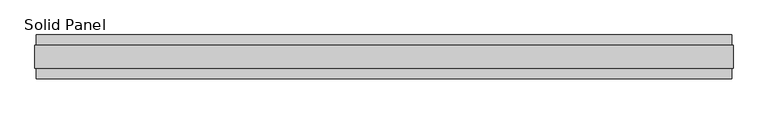
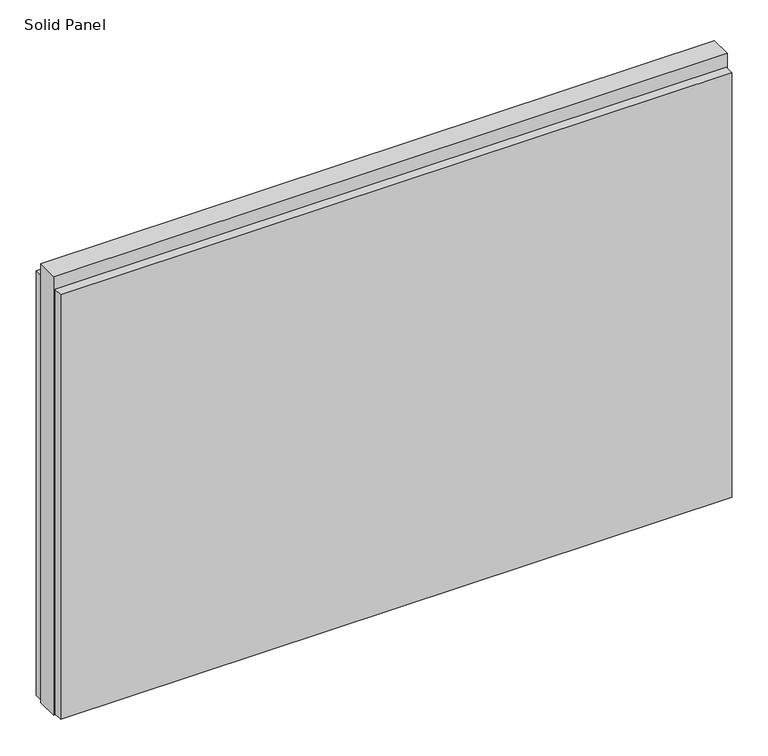
"""IFC4 building model written with IfcOpenShell, lengths in millimetres: plate geometry, Solid Panel."""

import ifcopenshell
import ifcopenshell.guid

model = None  # the IFC model being written
_history = None  # IfcOwnerHistory: only IFC2X3 demands one
_inside = {}  # id of a spatial element -> (the spatial element, [elements in it])
_under = {}  # id of a project, library or spatial element -> (it, [spatial elements below it])
_declared = {}  # id of a project -> (the project, [libraries it declares])
_typed = {}  # id of a type object -> (the type object, [elements of that type])
_made_of = {}  # id of a material, layer set ... -> (it, [elements and type objects made of it])


def new_model(schema):
    """Start an empty IFC model of exactly this schema.

    Asked for "IFC4X3", IfcOpenShell would pick the latest addendum, in which some entities
    have other attributes; the version numbers below select the first issue.
    IFC2X3 requires an IfcOwnerHistory on every rooted entity: one is made here for all.
    """
    global model, _history
    if schema == "IFC4X3":
        model = ifcopenshell.file(schema_version=(4, 3, 0, 0))
    else:
        model = ifcopenshell.file(schema=schema)
    _inside.clear()
    _under.clear()
    _declared.clear()
    _typed.clear()
    _made_of.clear()
    _history = None
    if model.schema == "IFC2X3":
        org = make("IfcOrganization", Name="unknown")
        user = make(
            "IfcPersonAndOrganization",
            ThePerson=make("IfcPerson", FamilyName="unknown"),
            TheOrganization=org,
        )
        app = make(
            "IfcApplication",
            ApplicationDeveloper=org,
            Version="unknown",
            ApplicationFullName="unknown",
            ApplicationIdentifier="unknown",
        )
        _history = make(
            "IfcOwnerHistory",
            OwningUser=user,
            OwningApplication=app,
            ChangeAction="ADDED",
            CreationDate=0,
        )
    return model


def make(cls, **values):
    """One entity of the class cls with the attributes given. An attribute that is None is left unset."""
    return model.create_entity(
        cls, **{name: value for name, value in values.items() if value is not None}
    )


def rooted(cls, **values):
    """An entity with a GlobalId (a new one), such as an element, a storey or a relation."""
    return make(cls, GlobalId=ifcopenshell.guid.new(), OwnerHistory=_history, **values)


def si_unit(unit_type, name, prefix=None):
    """IfcSIUnit, for example si_unit("LENGTHUNIT", "METRE", prefix="MILLI")."""
    return make("IfcSIUnit", UnitType=unit_type, Prefix=prefix, Name=name)


def assignment(units):
    """IfcUnitAssignment: the units of a project."""
    return None if units is None else make("IfcUnitAssignment", Units=units)


def point(xyz):
    """IfcCartesianPoint."""
    return None if xyz is None else make("IfcCartesianPoint", Coordinates=xyz)


def direction(xyz):
    """IfcDirection."""
    return None if xyz is None else make("IfcDirection", DirectionRatios=xyz)


def frame(location, z_axis=None, x_axis=None):
    """IfcAxis2Placement3D, a coordinate frame: its origin and axes. An axis left out is left unset."""
    return make(
        "IfcAxis2Placement3D",
        Location=point(location),
        Axis=direction(z_axis),
        RefDirection=direction(x_axis),
    )


def origin():
    """The frame at (0, 0, 0) with its axes left unset."""
    return frame((0.0, 0.0, 0.0))


def origin_with_axes():
    """The frame at (0, 0, 0) with the z axis (0, 0, 1) and the x axis (1, 0, 0) written out."""
    return frame((0.0, 0.0, 0.0), z_axis=(0.0, 0.0, 1.0), x_axis=(1.0, 0.0, 0.0))


def place(relative_to, where):
    """IfcLocalPlacement: puts the frame where relative to a parent placement (None: the world)."""
    return make(
        "IfcLocalPlacement", PlacementRelTo=relative_to, RelativePlacement=where
    )


def context(
    kind, dimensions, precision=None, world=None, true_north=None, identifier=None
):
    """IfcGeometricRepresentationContext, for example the 3D "Model" context."""
    return make(
        "IfcGeometricRepresentationContext",
        ContextIdentifier=identifier,
        ContextType=kind,
        CoordinateSpaceDimension=dimensions,
        Precision=precision,
        WorldCoordinateSystem=world,
        TrueNorth=true_north,
    )


def project(units=None, contexts=None):
    """IfcProject with its units and contexts."""
    return rooted(
        "IfcProject",
        Name="project",
        RepresentationContexts=contexts,
        UnitsInContext=assignment(units),
    )


def spatial(cls, under=None, at=None, **own):
    """A site, building, storey or space (cls), placed at a placement, below another one or the project."""
    s = rooted(cls, ObjectPlacement=at, **own)
    if under is not None:
        _under.setdefault(under.id(), (under, []))[1].append(s)
    return s


def polyline(points):
    """IfcPolyline through the points."""
    return make("IfcPolyline", Points=[point(p) for p in points])


def outline(outer, holes=None, kind="AREA"):
    """IfcArbitraryClosedProfileDef: a profile drawn as a closed curve; with holes, ...WithVoids."""
    if holes is None:
        return make("IfcArbitraryClosedProfileDef", ProfileType=kind, OuterCurve=outer)
    return make(
        "IfcArbitraryProfileDefWithVoids",
        ProfileType=kind,
        OuterCurve=outer,
        InnerCurves=holes,
    )


def extrude(swept, where, along, depth):
    """IfcExtrudedAreaSolid: the profile swept, set in the frame where, extruded along a direction by depth."""
    return make(
        "IfcExtrudedAreaSolid",
        SweptArea=swept,
        Position=where,
        ExtrudedDirection=direction(along),
        Depth=depth,
    )


def shape(context_of_items, identifier, shape_type, items):
    """IfcShapeRepresentation: the items that make up one representation, for example the "Body"."""
    return make(
        "IfcShapeRepresentation",
        ContextOfItems=context_of_items,
        RepresentationIdentifier=identifier,
        RepresentationType=shape_type,
        Items=items,
    )


def source(mapping_origin, context_of_items, identifier, shape_type, items):
    """IfcRepresentationMap: a shape defined once, which mapped items show again and again."""
    return make(
        "IfcRepresentationMap",
        MappingOrigin=mapping_origin,
        MappedRepresentation=shape(context_of_items, identifier, shape_type, items),
    )


def transform(
    local_origin,
    x_axis=None,
    y_axis=None,
    z_axis=None,
    scale=None,
    scale2=None,
    scale3=None,
    uniform=True,
):
    """IfcCartesianTransformationOperator3D, or its non-uniform kind. x_axis, y_axis, z_axis: its Axis1, 2, 3."""
    if uniform:
        return make(
            "IfcCartesianTransformationOperator3D",
            Axis1=direction(x_axis),
            Axis2=direction(y_axis),
            LocalOrigin=point(local_origin),
            Scale=scale,
            Axis3=direction(z_axis),
        )
    return make(
        "IfcCartesianTransformationOperator3DnonUniform",
        Axis1=direction(x_axis),
        Axis2=direction(y_axis),
        LocalOrigin=point(local_origin),
        Scale=scale,
        Axis3=direction(z_axis),
        Scale2=scale2,
        Scale3=scale3,
    )


def mapped(mapping_source, mapping_target):
    """IfcMappedItem: shows the shape of a source again, moved by a transform."""
    return make(
        "IfcMappedItem", MappingSource=mapping_source, MappingTarget=mapping_target
    )


def made_of(thing, what):
    """Note that an element or type object is made of a material, layer set ...; save() writes the relation."""
    if what is not None:
        _made_of.setdefault(what.id(), (what, []))[1].append(thing)
    return thing


def element(
    cls,
    number,
    at=None,
    inside=None,
    cuts=None,
    type_object=None,
    material=None,
    context=None,
    identifier="Body",
    shape_type=None,
    held_by="IfcProductDefinitionShape",
    body=None,
    shapes=None,
    **own,
):
    """One element of the class cls, such as IfcWall. Its Tag is "e" and its number.

    at: its placement. inside: the storey or other place that contains it. cuts: it is an
    opening in that element (IfcRelVoidsElement). A single representation is given by context,
    identifier, shape_type and body (its items); several are given by shapes. held_by: the class
    of the entity that holds the representations. save() writes the other relations.
    """
    e = rooted(cls, Tag="e%d" % number, ObjectPlacement=at, **own)
    if body is not None:
        shapes = [shape(context, identifier, shape_type, body)]
    if shapes is not None:
        e.Representation = make(held_by, Representations=shapes)
    if inside is not None:
        _inside.setdefault(inside.id(), (inside, []))[1].append(e)
    if cuts is not None:
        rooted(
            "IfcRelVoidsElement", RelatingBuildingElement=cuts, RelatedOpeningElement=e
        )
    if type_object is not None:
        _typed.setdefault(type_object.id(), (type_object, []))[1].append(e)
    return made_of(e, material)


def aggregate(whole, parts):
    """IfcRelAggregates: a whole, such as a stair, and the parts it consists of."""
    return rooted("IfcRelAggregates", RelatingObject=whole, RelatedObjects=parts)


def save(model, path):
    """Write the relations noted so far, then the file.

    IfcRelAggregates (storeys below a building ...), IfcRelContainedInSpatialStructure (elements
    in a storey), IfcRelDefinesByType, IfcRelAssociatesMaterial and IfcRelDeclares: one each for
    every whole, place, type object, material and project.
    """
    for whole, parts in _under.values():
        aggregate(whole, parts)
    for where, things in _inside.values():
        rooted(
            "IfcRelContainedInSpatialStructure",
            RelatedElements=things,
            RelatingStructure=where,
        )
    for kind, things in _typed.values():
        rooted("IfcRelDefinesByType", RelatedObjects=things, RelatingType=kind)
    for what, things in _made_of.values():
        rooted("IfcRelAssociatesMaterial", RelatedObjects=things, RelatingMaterial=what)
    for by, libraries in _declared.values():
        rooted("IfcRelDeclares", RelatingContext=by, RelatedDefinitions=libraries)
    model.write(path)


def solid_panel_aa020b98(model_context):
    return source(origin(), model_context, "Body", "SweptSolid", [
        extrude(outline(polyline([(771.7028, -48.4531867), (-771.7028, -48.4531867), (-771.7028, -25.9961), (771.7028, -25.9961), (771.7028, -48.4531867)])), frame((0.0, 0.0, 3.0099), z_axis=(0.0, 0.0, 1.0), x_axis=(1.0, 0.0, 0.0)), (0.0, 0.0, 1.0), 1031.7861),
        extrude(outline(polyline([(771.7028, 25.9977), (-771.7028, 25.9977), (-771.7028, 48.4547867), (771.7028, 48.4547867), (771.7028, 25.9977)])), frame((0.0, 0.0, 3.0099), z_axis=(0.0, 0.0, 1.0), x_axis=(1.0, 0.0, 0.0)), (0.0, 0.0, 1.0), 1031.7861),
        extrude(outline(polyline([(774.7, -25.9961), (-774.7, -25.9961), (-774.7, 25.9977), (774.7, 25.9977), (774.7, -25.9961)])), origin_with_axes(), (0.0, 0.0, 1.0), 1066.8),
    ])


if __name__ == "__main__":
    model = new_model("IFC4")
    model_context = context("Model", 3, world=origin())
    ifc_project = project(units=[si_unit("LENGTHUNIT", "METRE", prefix="MILLI")], contexts=[model_context])
    site = spatial("IfcSite", under=ifc_project)
    building = spatial("IfcBuilding", under=site)
    placement = place(None, origin())
    solid_panel_shape = solid_panel_aa020b98(model_context)
    element("IfcPlate", 1, ObjectType="Solid Panel", at=placement, inside=building, context=model_context, shape_type="MappedRepresentation", body=[
        mapped(solid_panel_shape, transform((0.0, 0.0, 0.0), x_axis=(1.0, 0.0, 0.0), y_axis=(0.0, 1.0, 0.0), z_axis=(0.0, 0.0, 1.0))),
    ])
    save(model, "model.ifc")
